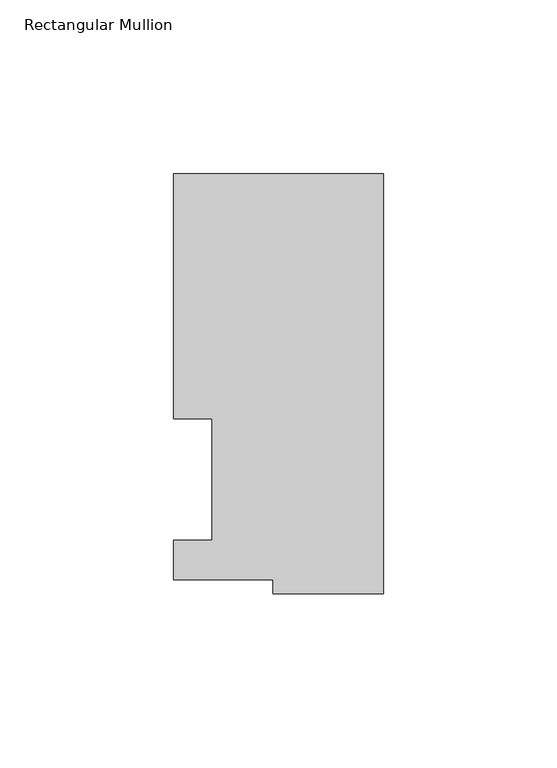
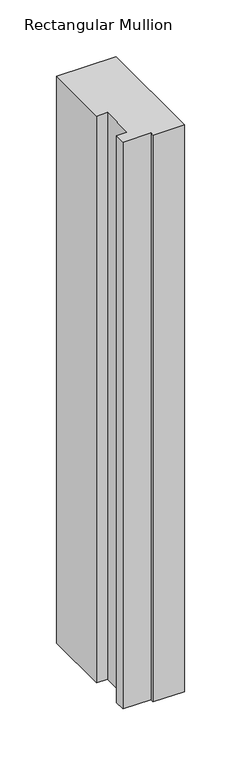
"""IFC4 building model written with IfcOpenShell, lengths in millimetres: member geometry, Rectangular Mullion."""

import ifcopenshell
import ifcopenshell.guid

model = None  # the IFC model being written
_history = None  # IfcOwnerHistory: only IFC2X3 demands one
_inside = {}  # id of a spatial element -> (the spatial element, [elements in it])
_under = {}  # id of a project, library or spatial element -> (it, [spatial elements below it])
_declared = {}  # id of a project -> (the project, [libraries it declares])
_typed = {}  # id of a type object -> (the type object, [elements of that type])
_made_of = {}  # id of a material, layer set ... -> (it, [elements and type objects made of it])


def new_model(schema):
    """Start an empty IFC model of exactly this schema.

    Asked for "IFC4X3", IfcOpenShell would pick the latest addendum, in which some entities
    have other attributes; the version numbers below select the first issue.
    IFC2X3 requires an IfcOwnerHistory on every rooted entity: one is made here for all.
    """
    global model, _history
    if schema == "IFC4X3":
        model = ifcopenshell.file(schema_version=(4, 3, 0, 0))
    else:
        model = ifcopenshell.file(schema=schema)
    _inside.clear()
    _under.clear()
    _declared.clear()
    _typed.clear()
    _made_of.clear()
    _history = None
    if model.schema == "IFC2X3":
        org = make("IfcOrganization", Name="unknown")
        user = make(
            "IfcPersonAndOrganization",
            ThePerson=make("IfcPerson", FamilyName="unknown"),
            TheOrganization=org,
        )
        app = make(
            "IfcApplication",
            ApplicationDeveloper=org,
            Version="unknown",
            ApplicationFullName="unknown",
            ApplicationIdentifier="unknown",
        )
        _history = make(
            "IfcOwnerHistory",
            OwningUser=user,
            OwningApplication=app,
            ChangeAction="ADDED",
            CreationDate=0,
        )
    return model


def make(cls, **values):
    """One entity of the class cls with the attributes given. An attribute that is None is left unset."""
    return model.create_entity(
        cls, **{name: value for name, value in values.items() if value is not None}
    )


def rooted(cls, **values):
    """An entity with a GlobalId (a new one), such as an element, a storey or a relation."""
    return make(cls, GlobalId=ifcopenshell.guid.new(), OwnerHistory=_history, **values)


def si_unit(unit_type, name, prefix=None):
    """IfcSIUnit, for example si_unit("LENGTHUNIT", "METRE", prefix="MILLI")."""
    return make("IfcSIUnit", UnitType=unit_type, Prefix=prefix, Name=name)


def assignment(units):
    """IfcUnitAssignment: the units of a project."""
    return None if units is None else make("IfcUnitAssignment", Units=units)


def point(xyz):
    """IfcCartesianPoint."""
    return None if xyz is None else make("IfcCartesianPoint", Coordinates=xyz)


def direction(xyz):
    """IfcDirection."""
    return None if xyz is None else make("IfcDirection", DirectionRatios=xyz)


def frame(location, z_axis=None, x_axis=None):
    """IfcAxis2Placement3D, a coordinate frame: its origin and axes. An axis left out is left unset."""
    return make(
        "IfcAxis2Placement3D",
        Location=point(location),
        Axis=direction(z_axis),
        RefDirection=direction(x_axis),
    )


def origin():
    """The frame at (0, 0, 0) with its axes left unset."""
    return frame((0.0, 0.0, 0.0))


def place(relative_to, where):
    """IfcLocalPlacement: puts the frame where relative to a parent placement (None: the world)."""
    return make(
        "IfcLocalPlacement", PlacementRelTo=relative_to, RelativePlacement=where
    )


def context(
    kind, dimensions, precision=None, world=None, true_north=None, identifier=None
):
    """IfcGeometricRepresentationContext, for example the 3D "Model" context."""
    return make(
        "IfcGeometricRepresentationContext",
        ContextIdentifier=identifier,
        ContextType=kind,
        CoordinateSpaceDimension=dimensions,
        Precision=precision,
        WorldCoordinateSystem=world,
        TrueNorth=true_north,
    )


def project(units=None, contexts=None):
    """IfcProject with its units and contexts."""
    return rooted(
        "IfcProject",
        Name="project",
        RepresentationContexts=contexts,
        UnitsInContext=assignment(units),
    )


def spatial(cls, under=None, at=None, **own):
    """A site, building, storey or space (cls), placed at a placement, below another one or the project."""
    s = rooted(cls, ObjectPlacement=at, **own)
    if under is not None:
        _under.setdefault(under.id(), (under, []))[1].append(s)
    return s


def polyline(points):
    """IfcPolyline through the points."""
    return make("IfcPolyline", Points=[point(p) for p in points])


def outline(outer, holes=None, kind="AREA"):
    """IfcArbitraryClosedProfileDef: a profile drawn as a closed curve; with holes, ...WithVoids."""
    if holes is None:
        return make("IfcArbitraryClosedProfileDef", ProfileType=kind, OuterCurve=outer)
    return make(
        "IfcArbitraryProfileDefWithVoids",
        ProfileType=kind,
        OuterCurve=outer,
        InnerCurves=holes,
    )


def extrude(swept, where, along, depth):
    """IfcExtrudedAreaSolid: the profile swept, set in the frame where, extruded along a direction by depth."""
    return make(
        "IfcExtrudedAreaSolid",
        SweptArea=swept,
        Position=where,
        ExtrudedDirection=direction(along),
        Depth=depth,
    )


def shape(context_of_items, identifier, shape_type, items):
    """IfcShapeRepresentation: the items that make up one representation, for example the "Body"."""
    return make(
        "IfcShapeRepresentation",
        ContextOfItems=context_of_items,
        RepresentationIdentifier=identifier,
        RepresentationType=shape_type,
        Items=items,
    )


def source(mapping_origin, context_of_items, identifier, shape_type, items):
    """IfcRepresentationMap: a shape defined once, which mapped items show again and again."""
    return make(
        "IfcRepresentationMap",
        MappingOrigin=mapping_origin,
        MappedRepresentation=shape(context_of_items, identifier, shape_type, items),
    )


def transform(
    local_origin,
    x_axis=None,
    y_axis=None,
    z_axis=None,
    scale=None,
    scale2=None,
    scale3=None,
    uniform=True,
):
    """IfcCartesianTransformationOperator3D, or its non-uniform kind. x_axis, y_axis, z_axis: its Axis1, 2, 3."""
    if uniform:
        return make(
            "IfcCartesianTransformationOperator3D",
            Axis1=direction(x_axis),
            Axis2=direction(y_axis),
            LocalOrigin=point(local_origin),
            Scale=scale,
            Axis3=direction(z_axis),
        )
    return make(
        "IfcCartesianTransformationOperator3DnonUniform",
        Axis1=direction(x_axis),
        Axis2=direction(y_axis),
        LocalOrigin=point(local_origin),
        Scale=scale,
        Axis3=direction(z_axis),
        Scale2=scale2,
        Scale3=scale3,
    )


def mapped(mapping_source, mapping_target):
    """IfcMappedItem: shows the shape of a source again, moved by a transform."""
    return make(
        "IfcMappedItem", MappingSource=mapping_source, MappingTarget=mapping_target
    )


def made_of(thing, what):
    """Note that an element or type object is made of a material, layer set ...; save() writes the relation."""
    if what is not None:
        _made_of.setdefault(what.id(), (what, []))[1].append(thing)
    return thing


def element(
    cls,
    number,
    at=None,
    inside=None,
    cuts=None,
    type_object=None,
    material=None,
    context=None,
    identifier="Body",
    shape_type=None,
    held_by="IfcProductDefinitionShape",
    body=None,
    shapes=None,
    **own,
):
    """One element of the class cls, such as IfcWall. Its Tag is "e" and its number.

    at: its placement. inside: the storey or other place that contains it. cuts: it is an
    opening in that element (IfcRelVoidsElement). A single representation is given by context,
    identifier, shape_type and body (its items); several are given by shapes. held_by: the class
    of the entity that holds the representations. save() writes the other relations.
    """
    e = rooted(cls, Tag="e%d" % number, ObjectPlacement=at, **own)
    if body is not None:
        shapes = [shape(context, identifier, shape_type, body)]
    if shapes is not None:
        e.Representation = make(held_by, Representations=shapes)
    if inside is not None:
        _inside.setdefault(inside.id(), (inside, []))[1].append(e)
    if cuts is not None:
        rooted(
            "IfcRelVoidsElement", RelatingBuildingElement=cuts, RelatedOpeningElement=e
        )
    if type_object is not None:
        _typed.setdefault(type_object.id(), (type_object, []))[1].append(e)
    return made_of(e, material)


def aggregate(whole, parts):
    """IfcRelAggregates: a whole, such as a stair, and the parts it consists of."""
    return rooted("IfcRelAggregates", RelatingObject=whole, RelatedObjects=parts)


def save(model, path):
    """Write the relations noted so far, then the file.

    IfcRelAggregates (storeys below a building ...), IfcRelContainedInSpatialStructure (elements
    in a storey), IfcRelDefinesByType, IfcRelAssociatesMaterial and IfcRelDeclares: one each for
    every whole, place, type object, material and project.
    """
    for whole, parts in _under.values():
        aggregate(whole, parts)
    for where, things in _inside.values():
        rooted(
            "IfcRelContainedInSpatialStructure",
            RelatedElements=things,
            RelatingStructure=where,
        )
    for kind, things in _typed.values():
        rooted("IfcRelDefinesByType", RelatedObjects=things, RelatingType=kind)
    for what, things in _made_of.values():
        rooted("IfcRelAssociatesMaterial", RelatedObjects=things, RelatingMaterial=what)
    for by, libraries in _declared.values():
        rooted("IfcRelDeclares", RelatingContext=by, RelatedDefinitions=libraries)
    model.write(path)


def rectangular_mullion_a40e748f(model_context):
    return source(origin(), model_context, "Body", "SweptSolid", [
        extrude(outline(polyline([(-60.325, 117.4859878), (0.0, 117.4859878), (0.0, -3.3164122), (-31.75, -3.3164122), (-31.75, 0.7221701), (-60.325, 0.7221701), (-60.325, 12.1267878), (-49.2252, 12.1267878), (-49.2252, 47.0517878), (-60.325, 47.0517878), (-60.325, 117.4859878)])), frame((0.0, 0.0, -609.6), z_axis=(0.0, 0.0, 1.0), x_axis=(1.0, 0.0, 0.0)), (0.0, 0.0, 1.0), 609.6),
    ])


if __name__ == "__main__":
    model = new_model("IFC4")
    model_context = context("Model", 3, world=origin())
    ifc_project = project(units=[si_unit("LENGTHUNIT", "METRE", prefix="MILLI")], contexts=[model_context])
    site = spatial("IfcSite", under=ifc_project)
    building = spatial("IfcBuilding", under=site)
    placement = place(None, origin())
    rectangular_mullion_shape = rectangular_mullion_a40e748f(model_context)
    element("IfcMember", 1, ObjectType="Rectangular Mullion", at=placement, inside=building, context=model_context, shape_type="MappedRepresentation", body=[
        mapped(rectangular_mullion_shape, transform((0.0, 0.0, 0.0), x_axis=(1.0, 0.0, 0.0), y_axis=(0.0, 1.0, 0.0), z_axis=(0.0, 0.0, 1.0))),
    ])
    save(model, "model.ifc")
